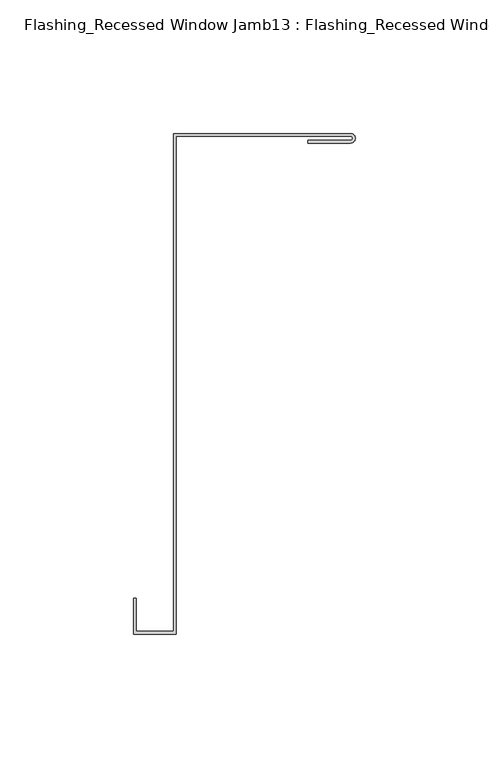
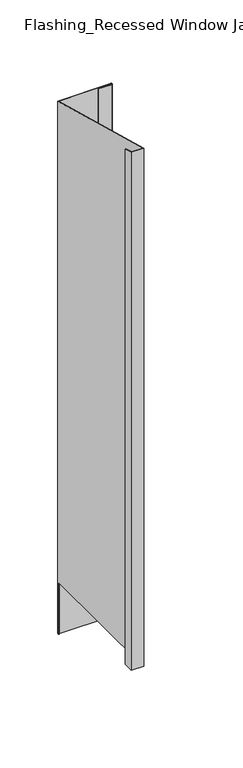
"""IFC4 building model written with IfcOpenShell, lengths in millimetres: proxy geometry, Flashing_Recessed Window Jamb13 : Flashing_Recessed Window Jamb."""

from ifc_helpers import new_model, si_unit, frame, origin, place, context, project, spatial, polyline, circle_curve, ellipse_curve, source, transform, mapped, element, save
from ifc_brep_helpers import plane_surface, cylinder_surface, revolved_surface, advanced_brep


def flashing_recessed_window_jamb13_flashing_recessed_window_9f1d032c(model_context):
    return source(origin(), model_context, "Body", "AdvancedBrep", [
        advanced_brep(
        [(16292.8541786, 10657.7344915, -705.1751138), (16227.4791786, 10657.7344915, -705.1751138), (16227.4791786, 10656.8026399, -705.1751138), (16226.4791786, 10656.8026399, -705.1751138), (16226.4791786, 10658.7344915, -705.1751138), (16292.8541786, 10658.7344915, -705.1751138), (16294.6194228, 10656.8026399, -705.1751138), (16293.6099762, 10656.8026399, -705.1751138), (16226.4791786, 10658.7344915, 6.7848827), (16292.8541786, 10658.7344915, 6.7848827), (16226.4791786, 10656.8026399, -635.662203), (16226.4791786, 10472.3615096, -635.662203), (16226.4791786, 10472.3615096, 56.7233727), (16212.4791786, 10472.3615096, 56.7233727), (16212.4791786, 10472.3615096, -635.662203), (16212.4791786, 10484.6872381, 53.4207037), (16212.4791786, 10484.6872381, -635.662203), (16211.4791786, 10484.6872381, 53.4207037), (16211.4791786, 10484.6872381, -635.662203), (16211.4791786, 10471.3615096, 56.9913219), (16211.4791786, 10471.3615096, -635.662203), (16227.4791786, 10471.3615096, 56.9913219), (16227.4791786, 10471.3615096, -635.662203), (16227.4791786, 10657.7344915, 7.0528319), (16227.4791786, 10656.8026399, -635.662203), (16292.8541786, 10657.7344915, 7.0528319), (16292.8541786, 10655.1896346, 7.7347242), (16276.7935482, 10655.1896346, 7.7347242), (16276.7935482, 10655.1896346, -635.662203), (16292.8541786, 10655.1896346, -635.662203), (16276.7935482, 10656.1896346, 7.4667751), (16276.7935482, 10656.1896346, -635.662203), (16292.8541786, 10656.1896346, 7.4667751), (16292.8541786, 10656.1896346, -635.662203), (16293.6099762, 10656.8026399, -635.662203), (16294.6194228, 10656.8026399, -635.662203)],
        [
            (0, 1),
            (1, 2),
            (2, 3),
            (3, 4),
            (4, 5),
            (5, 6, circle_curve(frame((16292.8541786, 10656.9620631, -705.1751138), z_axis=(0.0, 0.0, -1.0), x_axis=(1.0, 0.0, 0.0)), 1.7724285)),
            (6, 7),
            (7, 0, circle_curve(frame((16292.8541786, 10656.9620631, -705.1751138), z_axis=(0.0, 0.0, 1.0), x_axis=(1.0, 0.0, 0.0)), 0.7724285)),
            (4, 8),
            (8, 9),
            (9, 5),
            (3, 10),
            (10, 11),
            (11, 12),
            (12, 8),
            (13, 12),
            (11, 14),
            (14, 13),
            (15, 13),
            (14, 16),
            (16, 15),
            (17, 15),
            (16, 18),
            (18, 17),
            (19, 17),
            (18, 20),
            (20, 19),
            (21, 19),
            (20, 22),
            (22, 21),
            (1, 23),
            (23, 21),
            (22, 24),
            (24, 2),
            (0, 25),
            (25, 23),
            (26, 27),
            (27, 28),
            (28, 29),
            (29, 26),
            (27, 30),
            (30, 31),
            (31, 28),
            (30, 32),
            (32, 33),
            (33, 31),
            (7, 34),
            (34, 33, circle_curve(frame((16292.8541786, 10656.9620631, -635.662203), z_axis=(0.0, 0.0, -1.0), x_axis=(1.0, 0.0, 0.0)), 0.7724285)),
            (32, 25, ellipse_curve(frame((16292.8541786, 10656.9620631, 7.2598035), z_axis=(0.0, 0.2588190451025206, 0.9659258262890683), x_axis=(0.0, 0.9659258262890683, -0.25881904510252063)), 0.7996768, 0.7724285)),
            (9, 26, ellipse_curve(frame((16292.8541786, 10656.9620631, 7.2598035), z_axis=(0.0, -0.2588190451025206, -0.9659258262890683), x_axis=(0.0, -0.9659258262890683, 0.25881904510252063)), 1.834953, 1.7724285)),
            (29, 35, circle_curve(frame((16292.8541786, 10656.9620631, -635.662203), z_axis=(0.0, 0.0, 1.0), x_axis=(1.0, 0.0, 0.0)), 1.7724285)),
            (35, 6),
            (10, 24),
            (34, 35),
        ],
        [
            plane_surface(frame((16211.4791786, 10472.3615096, -705.1751138), z_axis=(0.0, 0.0, -1.0), x_axis=(1.0, 0.0, 0.0))),
            plane_surface(frame((16292.8541786, 10658.7344915, 72.3278596), z_axis=(0.0, 1.0, 0.0), x_axis=(0.0, 0.0, -1.0))),
            plane_surface(frame((16226.4791786, 10658.7344915, 72.3278596), z_axis=(-1.0, 0.0, 0.0), x_axis=(0.0, 0.0, -1.0))),
            plane_surface(frame((16226.4791786, 10472.3615096, 72.3278596), z_axis=(0.0, 1.0, 0.0), x_axis=(0.0, 0.0, -1.0))),
            plane_surface(frame((16212.4791786, 10472.3615096, 72.3278596), z_axis=(1.0, 0.0, 0.0), x_axis=(0.0, 0.0, -1.0))),
            plane_surface(frame((16212.4791786, 10484.6872381, 72.3278596), z_axis=(0.0, 1.0, 0.0), x_axis=(0.0, 0.0, -1.0))),
            plane_surface(frame((16211.4791786, 10484.6872381, 72.3278596), z_axis=(-1.0, 0.0, 0.0), x_axis=(0.0, 0.0, -1.0))),
            plane_surface(frame((16211.4791786, 10471.3615096, 72.3278596), z_axis=(0.0, -1.0, 0.0), x_axis=(0.0, 0.0, -1.0))),
            plane_surface(frame((16227.4791786, 10471.3615096, 72.3278596), z_axis=(1.0, 0.0, 0.0), x_axis=(0.0, 0.0, -1.0))),
            plane_surface(frame((16227.4791786, 10657.7344915, 72.3278596), z_axis=(0.0, -1.0, 0.0), x_axis=(0.0, 0.0, -1.0))),
            plane_surface(frame((16276.7935482, 10655.1896346, 72.3278596), z_axis=(0.0, -1.0, 0.0), x_axis=(0.0, 0.0, -1.0))),
            plane_surface(frame((16276.7935482, 10656.1896346, 72.3278596), z_axis=(-1.0, 0.0, 0.0), x_axis=(0.0, 0.0, -1.0))),
            plane_surface(frame((16292.8541786, 10656.1896346, 72.3278596), z_axis=(0.0, 1.0, 0.0), x_axis=(0.0, 0.0, -1.0))),
            revolved_surface(polyline([(16293.626607100001, 10656.9620631, -705.1751138), (16293.626607100001, 10656.9620631, 7.46677509999995)]), (16292.8541786, 10656.9620631, -705.1751138), (0.0, 0.0, -1.0)),
            cylinder_surface(frame((16292.8541786, 10656.9620631, -705.1751138), z_axis=(0.0, 0.0, 1.0), x_axis=(1.0, 0.0, 0.0)), 1.7724285),
            plane_surface(frame((16116.4791786, 10682.2658889, 0.4796638), z_axis=(0.0, 0.2588190451025206, 0.9659258262890683), x_axis=(1.0, 0.0, 0.0))),
            plane_surface(frame((16302.6107823, 10456.8026399, -635.662203), z_axis=(0.0, 0.0, -1.0), x_axis=(0.0, 1.0, 0.0))),
            plane_surface(frame((16302.6107823, 10656.8026399, -635.662203), z_axis=(0.0, -1.0, 0.0), x_axis=(0.0, 0.0, -1.0))),
        ],
        [
            (0, [[1, 2, 3, 4, 5, 6, 7, 8]]),
            (1, [[-5, 9, 10, 11]]),
            (2, [[-9, -4, 12, 13, 14, 15]]),
            (3, [[16, -14, 17, 18]]),
            (4, [[19, -18, 20, 21]]),
            (5, [[22, -21, 23, 24]]),
            (6, [[25, -24, 26, 27]]),
            (7, [[28, -27, 29, 30]]),
            (8, [[31, 32, -30, 33, 34, -2]]),
            (9, [[-1, 35, 36, -31]]),
            (10, [[37, 38, 39, 40]]),
            (11, [[41, 42, 43, -38]]),
            (12, [[44, 45, 46, -42]]),
            (13, [[-35, -8, 47, 48, -45, 49]]),
            (14, [[-11, 50, -40, 51, 52, -6]]),
            (15, [[-10, -15, -16, -19, -22, -25, -28, -32, -36, -49, -44, -41, -37, -50]]),
            (16, [[53, -33, -29, -26, -23, -20, -17, -13]]),
            (16, [[54, -51, -39, -43, -46, -48]]),
            (17, [[-53, -12, -3, -34]]),
            (17, [[-54, -47, -7, -52]]),
        ],
    ),
    ])


if __name__ == "__main__":
    model = new_model("IFC4")
    model_context = context("Model", 3, world=origin())
    ifc_project = project(units=[si_unit("LENGTHUNIT", "METRE", prefix="MILLI")], contexts=[model_context])
    site = spatial("IfcSite", under=ifc_project)
    building = spatial("IfcBuilding", under=site)
    placement = place(None, origin())
    flashing_recessed_window_jamb13_flashing_recessed_window_shape = flashing_recessed_window_jamb13_flashing_recessed_window_9f1d032c(model_context)
    element("IfcBuildingElementProxy", 1, Name="Flashing_Recessed Window Jamb13 : Flashing_Recessed Window Jamb", ObjectType="Flashing_Recessed Window Jamb13 : Flashing_Recessed Window Jamb", at=placement, inside=building, context=model_context, shape_type="MappedRepresentation", body=[
        mapped(flashing_recessed_window_jamb13_flashing_recessed_window_shape, transform((0.0, 0.0, 0.0), x_axis=(1.0, 0.0, 0.0), y_axis=(0.0, 1.0, 0.0), z_axis=(0.0, 0.0, 1.0))),
    ])
    save(model, "model.ifc")
